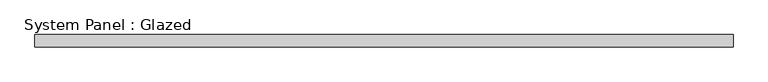
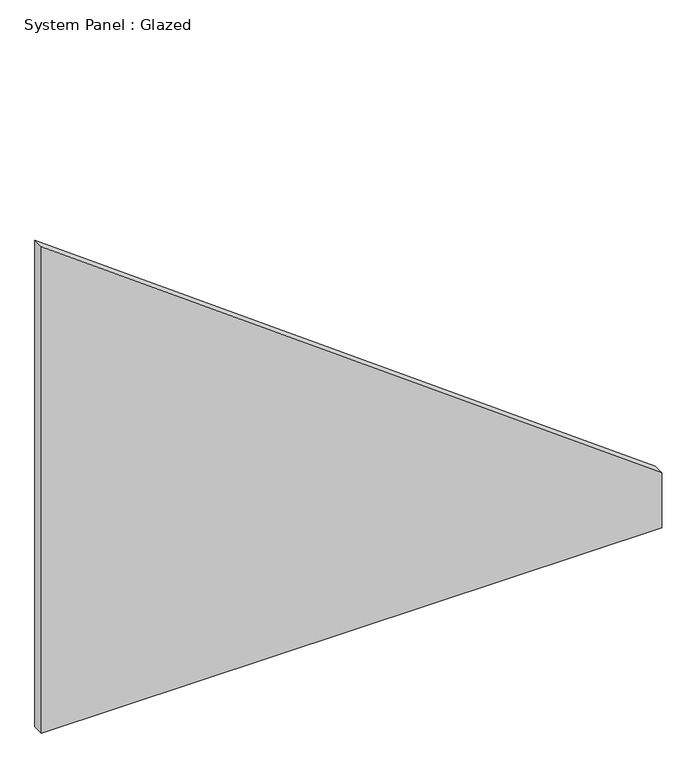
"""IFC4 building model written with IfcOpenShell, lengths in millimetres: plate geometry, System Panel : Glazed."""

from ifc_helpers import new_model, si_unit, frame, origin, place, context, project, spatial, polyline, outline, extrude, source, transform, mapped, element, save


def system_panel_glazed_63f0277a(model_context):
    return source(origin(), model_context, "Body", "SweptSolid", [
        extrude(outline(polyline([(0.0, -699.256285), (0.0, 699.256285), (130.4981749, 699.256285), (1158.860869, -699.256285), (0.0, -699.256285)])), frame((0.0, -49.5, 0.0), z_axis=(0.0, 1.0, 0.0), x_axis=(0.0, 0.0, 1.0)), (0.0, 0.0, 1.0), 25.0),
    ])


if __name__ == "__main__":
    model = new_model("IFC4")
    model_context = context("Model", 3, world=origin())
    ifc_project = project(units=[si_unit("LENGTHUNIT", "METRE", prefix="MILLI")], contexts=[model_context])
    site = spatial("IfcSite", under=ifc_project)
    building = spatial("IfcBuilding", under=site)
    placement = place(None, origin())
    system_panel_glazed_shape = system_panel_glazed_63f0277a(model_context)
    element("IfcPlate", 1, ObjectType="System Panel : Glazed", at=placement, inside=building, context=model_context, shape_type="MappedRepresentation", body=[
        mapped(system_panel_glazed_shape, transform((0.0, 0.0, 0.0), x_axis=(1.0, 0.0, 0.0), y_axis=(0.0, 1.0, 0.0), z_axis=(0.0, 0.0, 1.0))),
    ])
    save(model, "model.ifc")
